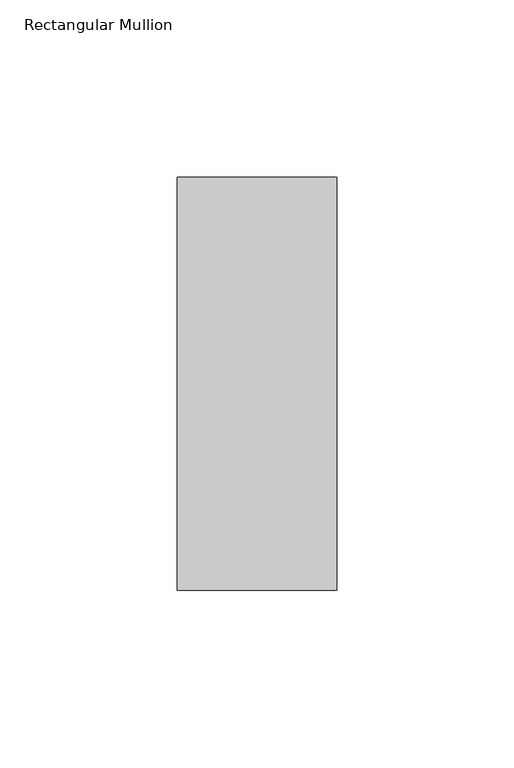
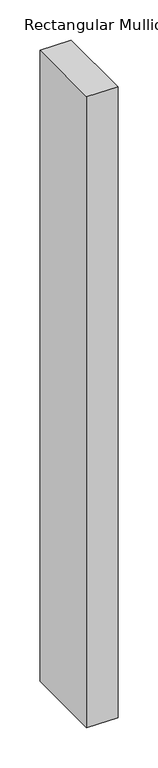
"""IFC4 building model written with IfcOpenShell, lengths in millimetres: member geometry, Rectangular Mullion."""

from ifc_helpers import new_model, si_unit, frame, origin, place, context, project, spatial, polyline, outline, extrude, source, transform, mapped, element, save


def rectangular_mullion_24a9dc27(model_context):
    return source(origin(), model_context, "Body", "SweptSolid", [
        extrude(outline(polyline([(22.5226562, 73.875), (22.5226562, -42.8257813), (-22.5226562, -42.8257813), (-22.5226562, 73.875), (22.5226562, 73.875)])), frame((0.0, 0.0, -960.762445), z_axis=(0.0, 0.0, 1.0), x_axis=(1.0, 0.0, 0.0)), (0.0, 0.0, 1.0), 960.762445),
    ])


if __name__ == "__main__":
    model = new_model("IFC4")
    model_context = context("Model", 3, world=origin())
    ifc_project = project(units=[si_unit("LENGTHUNIT", "METRE", prefix="MILLI")], contexts=[model_context])
    site = spatial("IfcSite", under=ifc_project)
    building = spatial("IfcBuilding", under=site)
    placement = place(None, origin())
    rectangular_mullion_shape = rectangular_mullion_24a9dc27(model_context)
    element("IfcMember", 1, ObjectType="Rectangular Mullion", at=placement, inside=building, context=model_context, shape_type="MappedRepresentation", body=[
        mapped(rectangular_mullion_shape, transform((0.0, 0.0, 0.0), x_axis=(1.0, 0.0, 0.0), y_axis=(0.0, 1.0, 0.0), z_axis=(0.0, 0.0, 1.0))),
    ])
    save(model, "model.ifc")
